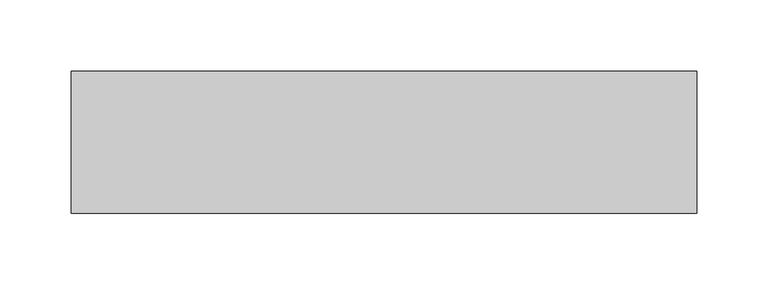
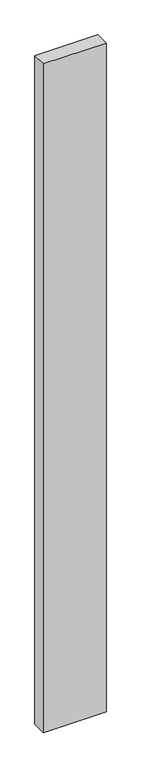
"""IFC4 building model written with IfcOpenShell, lengths in millimetres: proxy geometry."""

import ifcopenshell
import ifcopenshell.guid

model = None  # the IFC model being written
_history = None  # IfcOwnerHistory: only IFC2X3 demands one
_inside = {}  # id of a spatial element -> (the spatial element, [elements in it])
_under = {}  # id of a project, library or spatial element -> (it, [spatial elements below it])
_declared = {}  # id of a project -> (the project, [libraries it declares])
_typed = {}  # id of a type object -> (the type object, [elements of that type])
_made_of = {}  # id of a material, layer set ... -> (it, [elements and type objects made of it])


def new_model(schema):
    """Start an empty IFC model of exactly this schema.

    Asked for "IFC4X3", IfcOpenShell would pick the latest addendum, in which some entities
    have other attributes; the version numbers below select the first issue.
    IFC2X3 requires an IfcOwnerHistory on every rooted entity: one is made here for all.
    """
    global model, _history
    if schema == "IFC4X3":
        model = ifcopenshell.file(schema_version=(4, 3, 0, 0))
    else:
        model = ifcopenshell.file(schema=schema)
    _inside.clear()
    _under.clear()
    _declared.clear()
    _typed.clear()
    _made_of.clear()
    _history = None
    if model.schema == "IFC2X3":
        org = make("IfcOrganization", Name="unknown")
        user = make(
            "IfcPersonAndOrganization",
            ThePerson=make("IfcPerson", FamilyName="unknown"),
            TheOrganization=org,
        )
        app = make(
            "IfcApplication",
            ApplicationDeveloper=org,
            Version="unknown",
            ApplicationFullName="unknown",
            ApplicationIdentifier="unknown",
        )
        _history = make(
            "IfcOwnerHistory",
            OwningUser=user,
            OwningApplication=app,
            ChangeAction="ADDED",
            CreationDate=0,
        )
    return model


def make(cls, **values):
    """One entity of the class cls with the attributes given. An attribute that is None is left unset."""
    return model.create_entity(
        cls, **{name: value for name, value in values.items() if value is not None}
    )


def rooted(cls, **values):
    """An entity with a GlobalId (a new one), such as an element, a storey or a relation."""
    return make(cls, GlobalId=ifcopenshell.guid.new(), OwnerHistory=_history, **values)


def si_unit(unit_type, name, prefix=None):
    """IfcSIUnit, for example si_unit("LENGTHUNIT", "METRE", prefix="MILLI")."""
    return make("IfcSIUnit", UnitType=unit_type, Prefix=prefix, Name=name)


def assignment(units):
    """IfcUnitAssignment: the units of a project."""
    return None if units is None else make("IfcUnitAssignment", Units=units)


def point(xyz):
    """IfcCartesianPoint."""
    return None if xyz is None else make("IfcCartesianPoint", Coordinates=xyz)


def direction(xyz):
    """IfcDirection."""
    return None if xyz is None else make("IfcDirection", DirectionRatios=xyz)


def frame(location, z_axis=None, x_axis=None):
    """IfcAxis2Placement3D, a coordinate frame: its origin and axes. An axis left out is left unset."""
    return make(
        "IfcAxis2Placement3D",
        Location=point(location),
        Axis=direction(z_axis),
        RefDirection=direction(x_axis),
    )


def origin():
    """The frame at (0, 0, 0) with its axes left unset."""
    return frame((0.0, 0.0, 0.0))


def place(relative_to, where):
    """IfcLocalPlacement: puts the frame where relative to a parent placement (None: the world)."""
    return make(
        "IfcLocalPlacement", PlacementRelTo=relative_to, RelativePlacement=where
    )


def context(
    kind, dimensions, precision=None, world=None, true_north=None, identifier=None
):
    """IfcGeometricRepresentationContext, for example the 3D "Model" context."""
    return make(
        "IfcGeometricRepresentationContext",
        ContextIdentifier=identifier,
        ContextType=kind,
        CoordinateSpaceDimension=dimensions,
        Precision=precision,
        WorldCoordinateSystem=world,
        TrueNorth=true_north,
    )


def project(units=None, contexts=None):
    """IfcProject with its units and contexts."""
    return rooted(
        "IfcProject",
        Name="project",
        RepresentationContexts=contexts,
        UnitsInContext=assignment(units),
    )


def spatial(cls, under=None, at=None, **own):
    """A site, building, storey or space (cls), placed at a placement, below another one or the project."""
    s = rooted(cls, ObjectPlacement=at, **own)
    if under is not None:
        _under.setdefault(under.id(), (under, []))[1].append(s)
    return s


def polyline(points):
    """IfcPolyline through the points."""
    return make("IfcPolyline", Points=[point(p) for p in points])


def outline(outer, holes=None, kind="AREA"):
    """IfcArbitraryClosedProfileDef: a profile drawn as a closed curve; with holes, ...WithVoids."""
    if holes is None:
        return make("IfcArbitraryClosedProfileDef", ProfileType=kind, OuterCurve=outer)
    return make(
        "IfcArbitraryProfileDefWithVoids",
        ProfileType=kind,
        OuterCurve=outer,
        InnerCurves=holes,
    )


def extrude(swept, where, along, depth):
    """IfcExtrudedAreaSolid: the profile swept, set in the frame where, extruded along a direction by depth."""
    return make(
        "IfcExtrudedAreaSolid",
        SweptArea=swept,
        Position=where,
        ExtrudedDirection=direction(along),
        Depth=depth,
    )


def shape(context_of_items, identifier, shape_type, items):
    """IfcShapeRepresentation: the items that make up one representation, for example the "Body"."""
    return make(
        "IfcShapeRepresentation",
        ContextOfItems=context_of_items,
        RepresentationIdentifier=identifier,
        RepresentationType=shape_type,
        Items=items,
    )


def source(mapping_origin, context_of_items, identifier, shape_type, items):
    """IfcRepresentationMap: a shape defined once, which mapped items show again and again."""
    return make(
        "IfcRepresentationMap",
        MappingOrigin=mapping_origin,
        MappedRepresentation=shape(context_of_items, identifier, shape_type, items),
    )


def transform(
    local_origin,
    x_axis=None,
    y_axis=None,
    z_axis=None,
    scale=None,
    scale2=None,
    scale3=None,
    uniform=True,
):
    """IfcCartesianTransformationOperator3D, or its non-uniform kind. x_axis, y_axis, z_axis: its Axis1, 2, 3."""
    if uniform:
        return make(
            "IfcCartesianTransformationOperator3D",
            Axis1=direction(x_axis),
            Axis2=direction(y_axis),
            LocalOrigin=point(local_origin),
            Scale=scale,
            Axis3=direction(z_axis),
        )
    return make(
        "IfcCartesianTransformationOperator3DnonUniform",
        Axis1=direction(x_axis),
        Axis2=direction(y_axis),
        LocalOrigin=point(local_origin),
        Scale=scale,
        Axis3=direction(z_axis),
        Scale2=scale2,
        Scale3=scale3,
    )


def mapped(mapping_source, mapping_target):
    """IfcMappedItem: shows the shape of a source again, moved by a transform."""
    return make(
        "IfcMappedItem", MappingSource=mapping_source, MappingTarget=mapping_target
    )


def made_of(thing, what):
    """Note that an element or type object is made of a material, layer set ...; save() writes the relation."""
    if what is not None:
        _made_of.setdefault(what.id(), (what, []))[1].append(thing)
    return thing


def element(
    cls,
    number,
    at=None,
    inside=None,
    cuts=None,
    type_object=None,
    material=None,
    context=None,
    identifier="Body",
    shape_type=None,
    held_by="IfcProductDefinitionShape",
    body=None,
    shapes=None,
    **own,
):
    """One element of the class cls, such as IfcWall. Its Tag is "e" and its number.

    at: its placement. inside: the storey or other place that contains it. cuts: it is an
    opening in that element (IfcRelVoidsElement). A single representation is given by context,
    identifier, shape_type and body (its items); several are given by shapes. held_by: the class
    of the entity that holds the representations. save() writes the other relations.
    """
    e = rooted(cls, Tag="e%d" % number, ObjectPlacement=at, **own)
    if body is not None:
        shapes = [shape(context, identifier, shape_type, body)]
    if shapes is not None:
        e.Representation = make(held_by, Representations=shapes)
    if inside is not None:
        _inside.setdefault(inside.id(), (inside, []))[1].append(e)
    if cuts is not None:
        rooted(
            "IfcRelVoidsElement", RelatingBuildingElement=cuts, RelatedOpeningElement=e
        )
    if type_object is not None:
        _typed.setdefault(type_object.id(), (type_object, []))[1].append(e)
    return made_of(e, material)


def aggregate(whole, parts):
    """IfcRelAggregates: a whole, such as a stair, and the parts it consists of."""
    return rooted("IfcRelAggregates", RelatingObject=whole, RelatedObjects=parts)


def save(model, path):
    """Write the relations noted so far, then the file.

    IfcRelAggregates (storeys below a building ...), IfcRelContainedInSpatialStructure (elements
    in a storey), IfcRelDefinesByType, IfcRelAssociatesMaterial and IfcRelDeclares: one each for
    every whole, place, type object, material and project.
    """
    for whole, parts in _under.values():
        aggregate(whole, parts)
    for where, things in _inside.values():
        rooted(
            "IfcRelContainedInSpatialStructure",
            RelatedElements=things,
            RelatingStructure=where,
        )
    for kind, things in _typed.values():
        rooted("IfcRelDefinesByType", RelatedObjects=things, RelatingType=kind)
    for what, things in _made_of.values():
        rooted("IfcRelAssociatesMaterial", RelatedObjects=things, RelatingMaterial=what)
    for by, libraries in _declared.values():
        rooted("IfcRelDeclares", RelatingContext=by, RelatedDefinitions=libraries)
    model.write(path)


def generic_models_ec7b578b(model_context):
    return source(origin(), model_context, "Body", "SweptSolid", [
        extrude(outline(polyline([(440.0, 100.0), (440.0, 0.0), (0.0, 0.0), (0.0, 100.0), (440.0, 100.0)])), frame((0.0, 0.0, -4950.0), z_axis=(0.0, 0.0, 1.0), x_axis=(1.0, 0.0, 0.0)), (0.0, 0.0, 1.0), 4950.0),
    ])


if __name__ == "__main__":
    model = new_model("IFC4")
    model_context = context("Model", 3, world=origin())
    ifc_project = project(units=[si_unit("LENGTHUNIT", "METRE", prefix="MILLI")], contexts=[model_context])
    site = spatial("IfcSite", under=ifc_project)
    building = spatial("IfcBuilding", under=site)
    placement = place(None, origin())
    generic_models_shape = generic_models_ec7b578b(model_context)
    element("IfcBuildingElementProxy", 1, Name="Generic Models", at=placement, inside=building, context=model_context, shape_type="MappedRepresentation", body=[
        mapped(generic_models_shape, transform((0.0, 0.0, 0.0), x_axis=(1.0, 0.0, 0.0), y_axis=(0.0, 1.0, 0.0), z_axis=(0.0, 0.0, 1.0))),
    ])
    save(model, "model.ifc")
